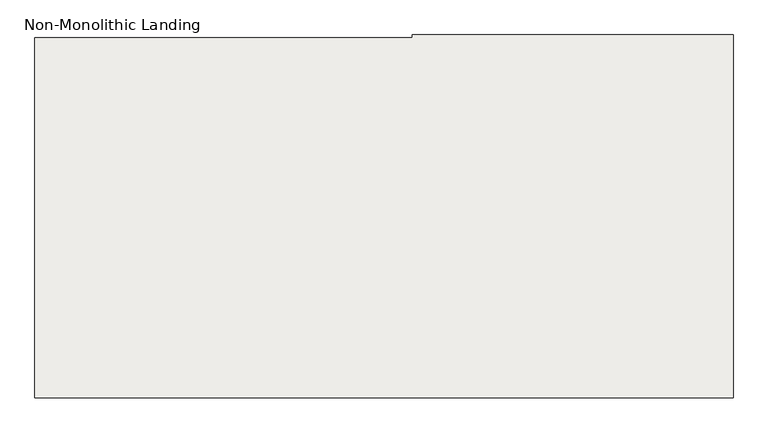
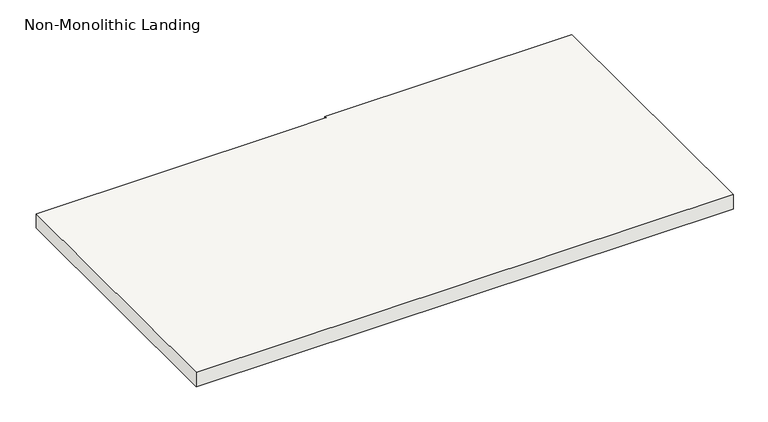
"""IFC4 building model written with IfcOpenShell, lengths in millimetres: slab geometry, Non-Monolithic Landing."""

from ifc_helpers import new_model, si_unit, frame, origin, place, context, project, spatial, polyline, outline, extrude, source, transform, mapped, element, save


def non_monolithic_landing_677fb955(model_context):
    return source(origin(), model_context, "Body", "SweptSolid", [
        extrude(outline(polyline([(1352.5483551, 3029.7049621), (1352.5483551, 2114.6003969), (-408.7453565, 2114.6003969), (-408.7453565, 3022.5685624), (421.2546435, 3022.5685624), (542.5483551, 3022.5685624), (542.5483551, 3029.7049621), (1352.5483551, 3029.7049621)])), frame((0.0, 0.0, 4350.0), z_axis=(0.0, 0.0, 1.0), x_axis=(1.0, 0.0, 0.0)), (0.0, 0.0, 1.0), 50.0),
    ])


if __name__ == "__main__":
    model = new_model("IFC4")
    model_context = context("Model", 3, world=origin())
    ifc_project = project(units=[si_unit("LENGTHUNIT", "METRE", prefix="MILLI")], contexts=[model_context])
    site = spatial("IfcSite", under=ifc_project)
    building = spatial("IfcBuilding", under=site)
    placement = place(None, origin())
    non_monolithic_landing_shape = non_monolithic_landing_677fb955(model_context)
    element("IfcSlab", 1, ObjectType="Non-Monolithic Landing", at=placement, inside=building, context=model_context, shape_type="MappedRepresentation", body=[
        mapped(non_monolithic_landing_shape, transform((0.0, 0.0, 0.0), x_axis=(1.0, 0.0, 0.0), y_axis=(0.0, 1.0, 0.0), z_axis=(0.0, 0.0, 1.0))),
    ])
    save(model, "model.ifc")
